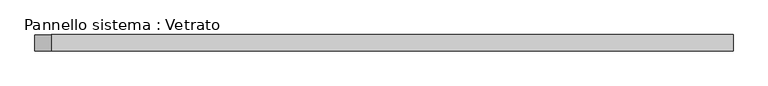
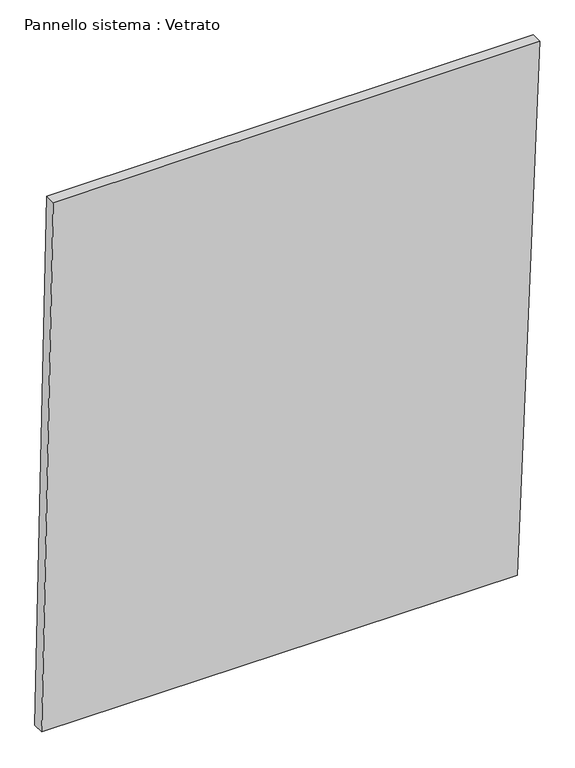
"""IFC4 building model written with IfcOpenShell, lengths in millimetres: plate geometry, Pannello sistema : Vetrato."""

from ifc_helpers import new_model, si_unit, frame, origin, place, context, project, spatial, polyline, outline, extrude, source, transform, mapped, element, save


def pannello_sistema_vetrato_7328924f(model_context):
    return source(origin(), model_context, "Body", "SweptSolid", [
        extrude(outline(polyline([(3.556239, -650.4741621), (0.0, 592.551136), (1454.1832739, 650.4741621), (1454.1832739, -620.0442222), (3.556239, -650.4741621)])), frame((0.0, -15.0, 0.0), z_axis=(0.0, 1.0, 0.0), x_axis=(0.0, 0.0, 1.0)), (0.0, 0.0, 1.0), 30.0),
    ])


if __name__ == "__main__":
    model = new_model("IFC4")
    model_context = context("Model", 3, world=origin())
    ifc_project = project(units=[si_unit("LENGTHUNIT", "METRE", prefix="MILLI")], contexts=[model_context])
    site = spatial("IfcSite", under=ifc_project)
    building = spatial("IfcBuilding", under=site)
    placement = place(None, origin())
    pannello_sistema_vetrato_shape = pannello_sistema_vetrato_7328924f(model_context)
    element("IfcPlate", 1, ObjectType="Pannello sistema : Vetrato", at=placement, inside=building, context=model_context, shape_type="MappedRepresentation", body=[
        mapped(pannello_sistema_vetrato_shape, transform((0.0, 0.0, 0.0), x_axis=(1.0, 0.0, 0.0), y_axis=(0.0, 1.0, 0.0), z_axis=(0.0, 0.0, 1.0))),
    ])
    save(model, "model.ifc")
